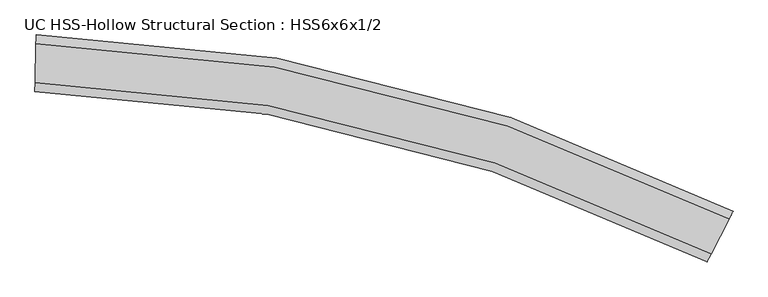
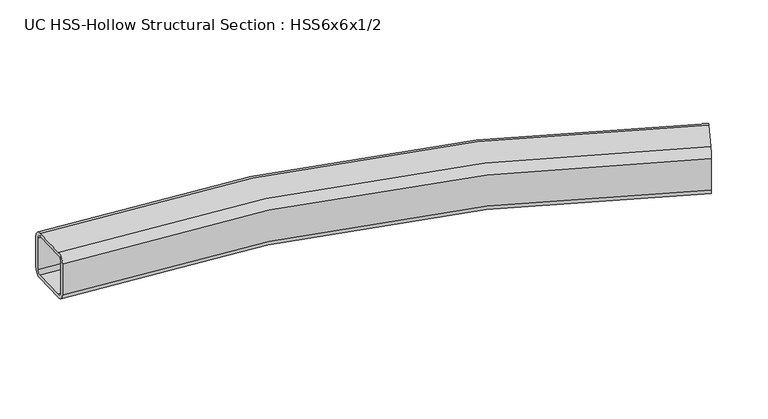
"""IFC4 building model written with IfcOpenShell, lengths in millimetres: beam geometry, UC HSS-Hollow Structural Section : HSS6x6x1/2."""

from ifc_helpers import new_model, si_unit, point, frame, origin, place, context, project, spatial, polyline, circle_curve, ellipse_curve, trimmed, source, transform, mapped, element, save
from ifc_brep_helpers import plane_surface, cylinder_surface, revolved_surface, advanced_brep


def uc_hss_hollow_structural_section_hss6x6x1_2_22d9f5a8(model_context):
    return source(origin(), model_context, "Body", "AdvancedBrep", [
        advanced_brep(
        [(1959.1257602, -398.0042592, 52.578), (1948.3232929, -419.0115337, 76.2), (1900.2348898, -512.5277881, 76.2), (1889.4324225, -533.5350626, 52.578), (1889.4324225, -533.5350626, -52.578), (1900.2348898, -512.5277881, -76.2), (1948.3232929, -419.0115337, -76.2), (1959.1257602, -398.0042592, -52.578), (1900.2348898, -512.5277881, 64.389), (1948.3232929, -419.0115337, 64.389), (1953.7245265, -408.5078965, 52.578), (1953.7245265, -408.5078965, -52.578), (1948.3232929, -419.0115337, -64.389), (1900.2348898, -512.5277881, -64.389), (1894.8336561, -523.0314253, -52.578), (1894.8336561, -523.0314253, 52.578), (92.5267364, 75.2006925, 52.578), (92.5267364, 75.2006925, -52.578), (92.0165511, 51.5842026, -76.2), (89.7454039, -53.5472685, -76.2), (89.2352187, -77.1637584, -52.578), (89.2352187, -77.1637584, 52.578), (89.7454039, -53.5472685, 76.2), (92.0165511, 51.5842026, 76.2), (89.7454039, -53.5472685, 64.389), (89.4903113, -65.3555135, 52.578), (89.4903113, -65.3555135, -52.578), (89.7454039, -53.5472685, -64.389), (92.0165511, 51.5842026, -64.389), (92.2716437, 63.3924476, -52.578), (92.2716437, 63.3924476, 52.578), (92.0165511, 51.5842026, 64.389)],
        [
            (0, 1, circle_curve(frame((1948.3232929, -419.0115337, 52.578), z_axis=(0.8893097336247625, -0.4573053658992576, 0.0), x_axis=(-0.4573053658992576, -0.8893097336247625, 0.0)), 23.622)),
            (1, 2),
            (2, 3, circle_curve(frame((1900.2348898, -512.5277881, 52.578), z_axis=(0.8893097336247625, -0.4573053658992576, 0.0), x_axis=(-0.4573053658992576, -0.8893097336247625, 0.0)), 23.622)),
            (3, 4),
            (4, 5, circle_curve(frame((1900.2348898, -512.5277881, -52.578), z_axis=(0.8893097336247625, -0.4573053658992576, 0.0), x_axis=(-0.4573053658992576, -0.8893097336247625, 0.0)), 23.622)),
            (5, 6),
            (6, 7, circle_curve(frame((1948.3232929, -419.0115337, -52.578), z_axis=(0.8893097336247625, -0.4573053658992576, 0.0), x_axis=(-0.4573053658992576, -0.8893097336247625, 0.0)), 23.622)),
            (7, 0),
            (8, 9),
            (9, 10, circle_curve(frame((1948.3232929, -419.0115337, 52.578), z_axis=(-0.8893097336247625, 0.4573053658992576, 0.0), x_axis=(-0.4573053658992576, -0.8893097336247625, 0.0)), 11.811)),
            (10, 11),
            (11, 12, circle_curve(frame((1948.3232929, -419.0115337, -52.578), z_axis=(-0.8893097336247625, 0.4573053658992576, 0.0), x_axis=(-0.4573053658992576, -0.8893097336247625, 0.0)), 11.811)),
            (12, 13),
            (13, 14, circle_curve(frame((1900.2348898, -512.5277881, -52.578), z_axis=(-0.8893097336247625, 0.4573053658992576, 0.0), x_axis=(-0.4573053658992576, -0.8893097336247625, 0.0)), 11.811)),
            (14, 15),
            (15, 8, circle_curve(frame((1900.2348898, -512.5277881, 52.578), z_axis=(-0.8893097336247625, 0.4573053658992576, 0.0), x_axis=(-0.4573053658992576, -0.8893097336247625, 0.0)), 11.811)),
            (16, 17),
            (17, 18, circle_curve(frame((92.0165511, 51.5842026, -52.578), z_axis=(-0.999766738474574, 0.02159788507962929, 0.0), x_axis=(-0.02159788507962929, -0.999766738474574, 0.0)), 23.622)),
            (18, 19),
            (19, 20, circle_curve(frame((89.7454039, -53.5472685, -52.578), z_axis=(-0.999766738474574, 0.02159788507962929, 0.0), x_axis=(-0.02159788507962929, -0.999766738474574, 0.0)), 23.622)),
            (20, 21),
            (21, 22, circle_curve(frame((89.7454039, -53.5472685, 52.578), z_axis=(-0.999766738474574, 0.02159788507962929, 0.0), x_axis=(-0.02159788507962929, -0.999766738474574, 0.0)), 23.622)),
            (22, 23),
            (23, 16, circle_curve(frame((92.0165511, 51.5842026, 52.578), z_axis=(-0.999766738474574, 0.02159788507962929, 0.0), x_axis=(-0.02159788507962929, -0.999766738474574, 0.0)), 23.622)),
            (24, 25, circle_curve(frame((89.7454039, -53.5472685, 52.578), z_axis=(0.999766738474574, -0.02159788507962929, 0.0), x_axis=(-0.02159788507962929, -0.999766738474574, 0.0)), 11.811)),
            (25, 26),
            (26, 27, circle_curve(frame((89.7454039, -53.5472685, -52.578), z_axis=(0.999766738474574, -0.02159788507962929, 0.0), x_axis=(-0.02159788507962929, -0.999766738474574, 0.0)), 11.811)),
            (27, 28),
            (28, 29, circle_curve(frame((92.0165511, 51.5842026, -52.578), z_axis=(0.999766738474574, -0.02159788507962929, 0.0), x_axis=(-0.02159788507962929, -0.999766738474574, 0.0)), 11.811)),
            (29, 30),
            (30, 31, circle_curve(frame((92.0165511, 51.5842026, 52.578), z_axis=(0.999766738474574, -0.02159788507962929, 0.0), x_axis=(-0.02159788507962929, -0.999766738474574, 0.0)), 11.811)),
            (31, 24),
            (0, 16, circle_curve(frame((0.0, -4207.8646673, 52.578), z_axis=(0.0, 0.0, 1.0), x_axis=(-0.9999729563490148, -0.00735435725343781, 0.0)), 4284.0646673)),
            (23, 1, circle_curve(frame((0.0, -4207.8646673, 76.2), z_axis=(0.0, 0.0, -1.0), x_axis=(-0.9999729563490148, -0.00735435725343781, 0.0)), 4260.4426673)),
            (22, 2, circle_curve(frame((0.0, -4207.8646673, 76.2), z_axis=(0.0, 0.0, -1.0), x_axis=(-0.9999729563490148, -0.00735435725343781, 0.0)), 4155.2866673)),
            (21, 3, circle_curve(frame((0.0, -4207.8646673, 52.578), z_axis=(0.0, 0.0, -1.0), x_axis=(-0.9999729563490148, -0.00735435725343781, 0.0)), 4131.6646673)),
            (20, 4, circle_curve(frame((0.0, -4207.8646673, -52.578), z_axis=(0.0, 0.0, -1.0), x_axis=(-0.9999729563490148, -0.00735435725343781, 0.0)), 4131.6646673)),
            (19, 5, circle_curve(frame((0.0, -4207.8646673, -76.2), z_axis=(0.0, 0.0, -1.0), x_axis=(-0.9999729563490148, -0.00735435725343781, 0.0)), 4155.2866673)),
            (18, 6, circle_curve(frame((0.0, -4207.8646673, -76.2), z_axis=(0.0, 0.0, -1.0), x_axis=(-0.9999729563490148, -0.00735435725343781, 0.0)), 4260.4426673)),
            (17, 7, circle_curve(frame((0.0, -4207.8646673, -52.578), z_axis=(0.0, 0.0, -1.0), x_axis=(-0.9999729563490148, -0.00735435725343781, 0.0)), 4284.0646673)),
            (8, 24, circle_curve(frame((0.0, -4207.8646673, 64.389), z_axis=(0.0, 0.0, 1.0), x_axis=(-0.9999729563490148, -0.00735435725343781, 0.0)), 4155.2866673)),
            (31, 9, circle_curve(frame((0.0, -4207.8646673, 64.389), z_axis=(0.0, 0.0, -1.0), x_axis=(-0.9999729563490148, -0.00735435725343781, 0.0)), 4260.4426673)),
            (30, 10, circle_curve(frame((0.0, -4207.8646673, 52.578), z_axis=(0.0, 0.0, -1.0), x_axis=(-0.9999729563490148, -0.00735435725343781, 0.0)), 4272.2536673)),
            (29, 11, circle_curve(frame((0.0, -4207.8646673, -52.578), z_axis=(0.0, 0.0, -1.0), x_axis=(-0.9999729563490148, -0.00735435725343781, 0.0)), 4272.2536673)),
            (28, 12, circle_curve(frame((0.0, -4207.8646673, -64.389), z_axis=(0.0, 0.0, -1.0), x_axis=(-0.9999729563490148, -0.00735435725343781, 0.0)), 4260.4426673)),
            (27, 13, circle_curve(frame((0.0, -4207.8646673, -64.389), z_axis=(0.0, 0.0, -1.0), x_axis=(-0.9999729563490148, -0.00735435725343781, 0.0)), 4155.2866673)),
            (26, 14, circle_curve(frame((0.0, -4207.8646673, -52.578), z_axis=(0.0, 0.0, -1.0), x_axis=(-0.9999729563490148, -0.00735435725343781, 0.0)), 4143.4756673)),
            (25, 15, circle_curve(frame((0.0, -4207.8646673, 52.578), z_axis=(0.0, 0.0, -1.0), x_axis=(-0.9999729563490148, -0.00735435725343781, 0.0)), 4143.4756673)),
        ],
        [
            plane_surface(frame((1924.2790913, -465.7696609, 0.0), z_axis=(0.8893097336247594, -0.4573053658992638, 0.0), x_axis=(0.0, 0.0, 1.0))),
            plane_surface(frame((90.8809775, -0.9815329, 0.0), z_axis=(-0.9997667384745739, 0.021597885079636166, 0.0), x_axis=(0.0, 0.0, 1.0))),
            revolved_surface(trimmed(ellipse_curve(frame((-4260.3274494, -4239.1974847, 52.578), z_axis=(0.007354357253444686, -0.9999729563490148, 0.0), x_axis=(0.9999729563490148, 0.007354357253444686, 0.0)), 23.622, 23.622), [point((-4260.3274494, -4239.1974847, 76.2))], [point((-4283.9488105, -4239.3712094, 52.578))], True, "CARTESIAN"), (0.0, -4207.8646673, 0.0), (0.0, 0.0, -1.0)),
            plane_surface(frame((0.0, -4207.8646673, 76.2), z_axis=(0.0, 0.0, 1.0), x_axis=(-0.9999729563490148, -0.00735435725343781, 0.0))),
            revolved_surface(trimmed(ellipse_curve(frame((-4155.1742932, -4238.4241299, 52.578), z_axis=(0.007354357253444686, -0.9999729563490148, 0.0), x_axis=(0.9999729563490148, 0.007354357253444686, 0.0)), 23.622, 23.622), [point((-4131.552932, -4238.2504053, 52.578))], [point((-4155.1742932, -4238.4241299, 76.2))], True, "CARTESIAN"), (0.0, -4207.8646673, 0.0), (0.0, 0.0, -1.0)),
            revolved_surface(polyline([(-4131.552932002749, -4238.25040531473, -52.578), (-4131.552932002749, -4238.25040531473, 52.578)]), (0.0, -4207.8646673, 0.0), (0.0, 0.0, -1.0)),
            revolved_surface(trimmed(ellipse_curve(frame((-4155.1742932, -4238.4241299, -52.578), z_axis=(0.007354357253444686, -0.9999729563490148, 0.0), x_axis=(0.9999729563490148, 0.007354357253444686, 0.0)), 23.622, 23.622), [point((-4155.1742932, -4238.4241299, -76.2))], [point((-4131.552932, -4238.2504053, -52.578))], True, "CARTESIAN"), (0.0, -4207.8646673, 0.0), (0.0, 0.0, -1.0)),
            plane_surface(frame((0.0, -4207.8646673, -76.2), z_axis=(0.0, 0.0, -1.0), x_axis=(-0.9999729563490148, -0.00735435725343781, 0.0))),
            revolved_surface(trimmed(ellipse_curve(frame((-4260.3274494, -4239.1974847, -52.578), z_axis=(0.007354357253444686, -0.9999729563490148, 0.0), x_axis=(0.9999729563490148, 0.007354357253444686, 0.0)), 23.622, 23.622), [point((-4283.9488105, -4239.3712094, -52.578))], [point((-4260.3274494, -4239.1974847, -76.2))], True, "CARTESIAN"), (0.0, -4207.8646673, 0.0), (0.0, 0.0, -1.0)),
            cylinder_surface(frame((0.0, -4207.8646673, 0.0), z_axis=(0.0, 0.0, -1.0), x_axis=(-0.9999729563490148, -0.00735435725343781, 0.0)), 4284.0646673),
            plane_surface(frame((0.0, -4207.8646673, 64.389), z_axis=(0.0, 0.0, -1.0), x_axis=(-0.9999729563490148, -0.00735435725343781, 0.0))),
            revolved_surface(trimmed(ellipse_curve(frame((-4260.3274494, -4239.1974847, 52.578), z_axis=(-0.007354357253444686, 0.9999729563490148, 0.0), x_axis=(0.9999729563490148, 0.007354357253444686, 0.0)), 11.811, 11.811), [point((-4272.13813, -4239.284347, 52.578))], [point((-4260.3274494, -4239.1974847, 64.389))], True, "CARTESIAN"), (0.0, -4207.8646673, 0.0), (0.0, 0.0, -1.0)),
            revolved_surface(polyline([(-4272.138129962902, -4239.284347046634, -52.578), (-4272.138129962902, -4239.284347046634, 52.578)]), (0.0, -4207.8646673, 0.0), (0.0, 0.0, -1.0)),
            revolved_surface(trimmed(ellipse_curve(frame((-4260.3274494, -4239.1974847, -52.578), z_axis=(-0.007354357253444686, 0.9999729563490148, 0.0), x_axis=(0.9999729563490148, 0.007354357253444686, 0.0)), 11.811, 11.811), [point((-4260.3274494, -4239.1974847, -64.389))], [point((-4272.13813, -4239.284347, -52.578))], True, "CARTESIAN"), (0.0, -4207.8646673, 0.0), (0.0, 0.0, -1.0)),
            plane_surface(frame((0.0, -4207.8646673, -64.389), z_axis=(0.0, 0.0, 1.0), x_axis=(-0.9999729563490148, -0.00735435725343781, 0.0))),
            revolved_surface(trimmed(ellipse_curve(frame((-4155.1742932, -4238.4241299, -52.578), z_axis=(-0.007354357253444686, 0.9999729563490148, 0.0), x_axis=(0.9999729563490148, 0.007354357253444686, 0.0)), 11.811, 11.811), [point((-4143.3636126, -4238.3372676, -52.578))], [point((-4155.1742932, -4238.4241299, -64.389))], True, "CARTESIAN"), (0.0, -4207.8646673, 0.0), (0.0, 0.0, -1.0)),
            cylinder_surface(frame((0.0, -4207.8646673, 0.0), z_axis=(0.0, 0.0, -1.0), x_axis=(-0.9999729563490148, -0.00735435725343781, 0.0)), 4143.4756673),
            revolved_surface(trimmed(ellipse_curve(frame((-4155.1742932, -4238.4241299, 52.578), z_axis=(-0.007354357253444686, 0.9999729563490148, 0.0), x_axis=(0.9999729563490148, 0.007354357253444686, 0.0)), 11.811, 11.811), [point((-4155.1742932, -4238.4241299, 64.389))], [point((-4143.3636126, -4238.3372676, 52.578))], True, "CARTESIAN"), (0.0, -4207.8646673, 0.0), (0.0, 0.0, -1.0)),
        ],
        [
            (0, [[1, 2, 3, 4, 5, 6, 7, 8], [9, 10, 11, 12, 13, 14, 15, 16]]),
            (1, [[17, 18, 19, 20, 21, 22, 23, 24], [25, 26, 27, 28, 29, 30, 31, 32]]),
            (2, [[-1, 33, -24, 34]]),
            (3, [[-2, -34, -23, 35]]),
            (4, [[-3, -35, -22, 36]]),
            (5, [[-4, -36, -21, 37]]),
            (6, [[-5, -37, -20, 38]]),
            (7, [[-6, -38, -19, 39]]),
            (8, [[-7, -39, -18, 40]]),
            (9, [[-8, -40, -17, -33]]),
            (10, [[-9, 41, -32, 42]]),
            (11, [[-10, -42, -31, 43]]),
            (12, [[-11, -43, -30, 44]]),
            (13, [[-12, -44, -29, 45]]),
            (14, [[-13, -45, -28, 46]]),
            (15, [[-14, -46, -27, 47]]),
            (16, [[-15, -47, -26, 48]]),
            (17, [[-16, -48, -25, -41]]),
        ],
    ),
    ])


if __name__ == "__main__":
    model = new_model("IFC4")
    model_context = context("Model", 3, world=origin())
    ifc_project = project(units=[si_unit("LENGTHUNIT", "METRE", prefix="MILLI")], contexts=[model_context])
    site = spatial("IfcSite", under=ifc_project)
    building = spatial("IfcBuilding", under=site)
    placement = place(None, origin())
    uc_hss_hollow_structural_section_hss6x6x1_2_shape = uc_hss_hollow_structural_section_hss6x6x1_2_22d9f5a8(model_context)
    element("IfcBeam", 1, ObjectType="UC HSS-Hollow Structural Section : HSS6x6x1/2", at=placement, inside=building, context=model_context, shape_type="MappedRepresentation", body=[
        mapped(uc_hss_hollow_structural_section_hss6x6x1_2_shape, transform((0.0, 0.0, 0.0), x_axis=(1.0, 0.0, 0.0), y_axis=(0.0, 1.0, 0.0), z_axis=(0.0, 0.0, 1.0))),
    ])
    save(model, "model.ifc")
